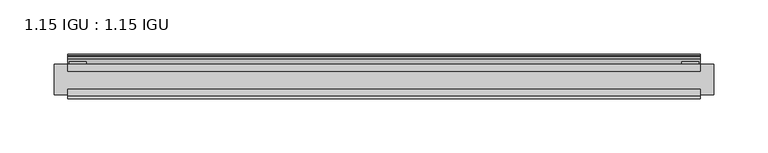
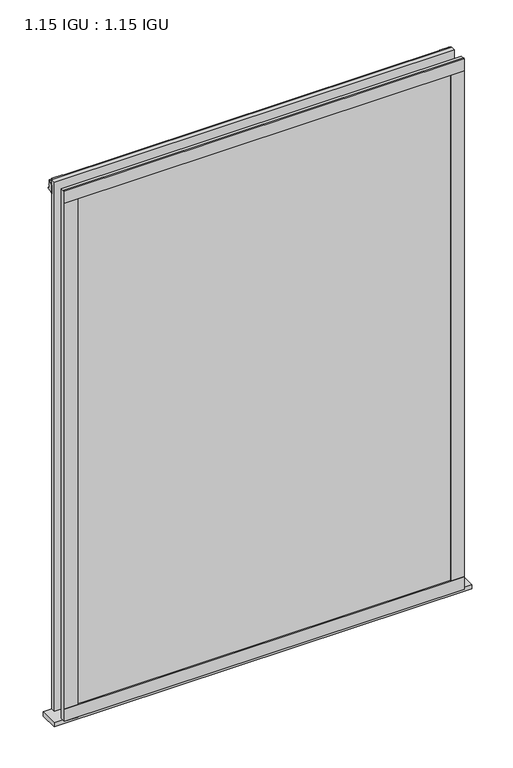
"""IFC4 building model written with IfcOpenShell, lengths in millimetres: plate geometry, 1.15 IGU : 1.15 IGU."""

from ifc_helpers import new_model, si_unit, point, frame, frame_2d, origin, place, context, project, spatial, polyline, circle_curve, trimmed, segment, composite_curve, outline, extrude, source, transform, mapped, element, save


def plate_1_15_igu_1_15_igu_96f64390(model_context):
    return source(origin(), model_context, "Body", "SweptSolid", [
        extrude(outline(polyline([(292.1, 0.0), (292.1, -6.2992), (-292.1, -6.2992), (-292.1, 0.0), (292.1, 0.0)])), frame((0.0, 0.0, -19.05), z_axis=(0.0, 0.0, 1.0), x_axis=(1.0, 0.0, 0.0)), (0.0, 0.0, 1.0), 817.5498001),
        extrude(outline(polyline([(-292.1, -23.1648), (292.1, -23.1648), (292.1, -29.464), (-292.1, -29.464), (-292.1, -23.1648)])), frame((0.0, 0.0, -19.05), z_axis=(0.0, 0.0, 1.0), x_axis=(1.0, 0.0, 0.0)), (0.0, 0.0, 1.0), 817.5498001),
        extrude(outline(composite_curve([segment(trimmed(circle_curve(frame_2d((10.9021792, -22.6833935)), 11.4916952), [point((0.0, -19.05))], [point((-0.2638007, -25.4))], True, "CARTESIAN"), True, "CONTINUOUS"), segment(polyline([(-0.2638007, -25.4), (-27.9952564, -25.4), (-27.9952564, -19.05), (0.0, -19.05)]), True, "CONTINUOUS")], self_intersect=False)), frame((-304.8, 0.0, 0.0), z_axis=(1.0, 0.0, 0.0), x_axis=(0.0, 1.0, 0.0)), (0.0, 0.0, 1.0), 609.6),
        extrude(outline(polyline([(-292.1, -31.75), (-292.1, -29.464), (292.1, -29.464), (292.1, -31.75), (-292.1, -31.75)])), frame((0.0, 0.0, -19.05), z_axis=(0.0, 0.0, 1.0), x_axis=(1.0, 0.0, 0.0)), (0.0, 0.0, 1.0), 19.05),
        extrude(outline(composite_curve([segment(trimmed(circle_curve(frame_2d((-23.3689302, 822.6664901)), 40.3187601), [point((0.0, 789.8108131))], [point((4.9746073, 793.9916528))], True, "CARTESIAN"), True, "CONTINUOUS"), segment(trimmed(circle_curve(frame_2d((5.8674, 793.0884246)), 1.27), [point((4.9746073, 793.9916528))], [point((7.1374, 793.0884246))], False, "CARTESIAN"), True, "CONTINUOUS"), segment(polyline([(7.1374, 793.0884246), (7.1374, 788.6876169), (7.7309478, 786.4724663), (6.35, 786.2379789), (6.35, 781.0500001), (9.3980339, 781.0500001), (9.3980339, 779.6684051)]), True, "CONTINUOUS"), segment(trimmed(circle_curve(frame_2d((13.6593785, 748.6551528)), 31.3046461), [point((9.3980339, 779.6684051))], [point((0.0, 776.8225498))], True, "CARTESIAN"), True, "CONTINUOUS"), segment(polyline([(0.0, 776.8225498), (0.0, 789.8108131)]), True, "CONTINUOUS")], self_intersect=False)), frame((-292.1, 0.0, 0.0), z_axis=(1.0, 0.0, 0.0), x_axis=(0.0, 1.0, 0.0)), (0.0, 0.0, 1.0), 584.2),
        extrude(outline(polyline([(-292.1, -31.75), (-292.1, -29.464), (292.1, -29.464), (292.1, -31.75), (-292.1, -31.75)])), frame((0.0, 0.0, 781.0500001), z_axis=(0.0, 0.0, 1.0), x_axis=(1.0, 0.0, 0.0)), (0.0, 0.0, 1.0), 19.05),
        extrude(outline(polyline([(273.05, -29.464), (292.1, -29.464), (292.1, -31.75), (273.05, -31.75), (273.05, -29.464)])), frame((0.0, 0.0, -19.05), z_axis=(0.0, 0.0, 1.0), x_axis=(1.0, 0.0, 0.0)), (0.0, 0.0, 1.0), 817.5498001),
        extrude(outline(polyline([(290.8935, 2.2860088), (290.8935, 0.0021347), (275.0185, 0.0021347), (275.0185, 2.2860088), (290.8935, 2.2860088)])), frame((0.0, 0.0, -19.05), z_axis=(0.0, 0.0, 1.0), x_axis=(1.0, 0.0, 0.0)), (0.0, 0.0, 1.0), 817.5498001),
        extrude(outline(polyline([(-292.1, -31.75), (-292.1, -29.464), (-273.05, -29.464), (-273.05, -31.75), (-292.1, -31.75)])), frame((0.0, 0.0, -19.05), z_axis=(0.0, 0.0, 1.0), x_axis=(1.0, 0.0, 0.0)), (0.0, 0.0, 1.0), 817.5498001),
        extrude(outline(polyline([(-290.8935, 0.0), (-290.8935, 2.286), (-275.0185, 2.286), (-275.0185, 0.0), (-290.8935, 0.0)])), frame((0.0, 0.0, -19.05), z_axis=(0.0, 0.0, 1.0), x_axis=(1.0, 0.0, 0.0)), (0.0, 0.0, 1.0), 817.5498001),
    ])


if __name__ == "__main__":
    model = new_model("IFC4")
    model_context = context("Model", 3, world=origin())
    ifc_project = project(units=[si_unit("LENGTHUNIT", "METRE", prefix="MILLI")], contexts=[model_context])
    site = spatial("IfcSite", under=ifc_project)
    building = spatial("IfcBuilding", under=site)
    placement = place(None, origin())
    plate_1_15_igu_1_15_igu_shape = plate_1_15_igu_1_15_igu_96f64390(model_context)
    element("IfcPlate", 1, ObjectType="1.15 IGU : 1.15 IGU", at=placement, inside=building, context=model_context, shape_type="MappedRepresentation", body=[
        mapped(plate_1_15_igu_1_15_igu_shape, transform((0.0, 0.0, 0.0), x_axis=(1.0, 0.0, 0.0), y_axis=(0.0, 1.0, 0.0), z_axis=(0.0, 0.0, 1.0))),
    ])
    save(model, "model.ifc")
